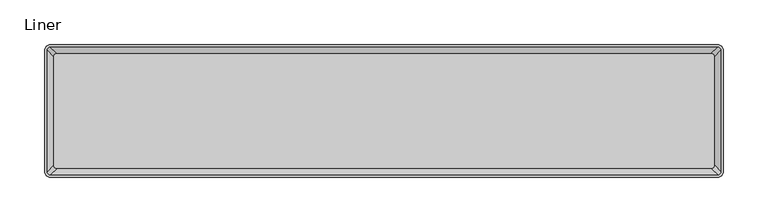
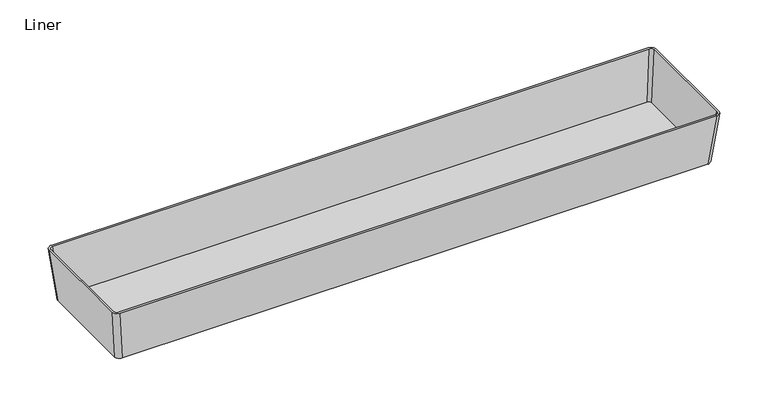
"""IFC4 building model written with IfcOpenShell, lengths in millimetres: furniture geometry, Liner."""

from ifc_helpers import new_model, si_unit, point, frame, origin, place, context, project, spatial, circle_curve, trimmed, source, transform, mapped, element, save
from ifc_brep_helpers import plane_surface, extruded_surface, advanced_brep


def liner_5ce1b42d(model_context):
    return source(origin(), model_context, "Body", "AdvancedBrep", [
        advanced_brep(
        [(-378.713984, 67.5640022, 78.4859978), (-378.713984, -67.5640022, 78.4859978), (-372.363984, -73.9140022, 78.4859978), (372.363984, -73.9140022, 78.4859978), (378.713984, -67.5640022, 78.4859978), (378.713984, 67.5640022, 78.4859978), (372.363984, 73.9140022, 78.4859978), (-372.363984, 73.9140022, 78.4859978), (-376.173984, -67.5640022, 78.4859978), (-376.173984, 67.5640022, 78.4859978), (-372.363984, 71.3740022, 78.4859978), (372.363984, 71.3740022, 78.4859978), (376.173984, 67.5640022, 78.4859978), (376.173984, -67.5640022, 78.4859978), (372.363984, -71.3740022, 78.4859978), (-372.363984, -71.3740022, 78.4859978), (-371.6018455, 60.4518409, 12.7000004), (-365.2518455, 66.8018409, 12.7000004), (365.2518455, 66.8018409, 12.7000004), (371.6018455, 60.4518409, 12.7000004), (371.6018455, -60.4518409, 12.7000004), (365.2518455, -66.8018409, 12.7000004), (-365.2518455, -66.8018409, 12.7000004), (-371.6018455, -60.4518409, 12.7000004), (-369.0618455, 60.4518409, 14.9860005), (-369.0618455, -60.4518409, 14.9860005), (-365.2518455, -64.2618409, 14.9860005), (365.2518455, -64.2618409, 14.9860005), (369.0618455, -60.4518409, 14.9860005), (369.0618455, 60.4518409, 14.9860005), (365.2518455, 64.2618409, 14.9860005), (-365.2518455, 64.2618409, 14.9860005)],
        [
            (0, 1),
            (1, 2, circle_curve(frame((-372.363984, -67.5640022, 78.4859978), z_axis=(0.0, 0.0, 1.0), x_axis=(-1.0, 0.0, 0.0)), 6.35)),
            (2, 3),
            (3, 4, circle_curve(frame((372.363984, -67.5640022, 78.4859978), z_axis=(0.0, 0.0, 1.0), x_axis=(-1.0, 0.0, 0.0)), 6.35)),
            (4, 5),
            (5, 6, circle_curve(frame((372.363984, 67.5640022, 78.4859978), z_axis=(0.0, 0.0, 1.0), x_axis=(-1.0, 0.0, 0.0)), 6.35)),
            (6, 7),
            (7, 0, circle_curve(frame((-372.363984, 67.5640022, 78.4859978), z_axis=(0.0, 0.0, 1.0), x_axis=(-1.0, 0.0, 0.0)), 6.35)),
            (8, 9),
            (9, 10, circle_curve(frame((-372.363984, 67.5640022, 78.4859978), z_axis=(0.0, 0.0, -1.0), x_axis=(-1.0, 0.0, 0.0)), 3.81)),
            (10, 11),
            (11, 12, circle_curve(frame((372.363984, 67.5640022, 78.4859978), z_axis=(0.0, 0.0, -1.0), x_axis=(-1.0, 0.0, 0.0)), 3.81)),
            (12, 13),
            (13, 14, circle_curve(frame((372.363984, -67.5640022, 78.4859978), z_axis=(0.0, 0.0, -1.0), x_axis=(-1.0, 0.0, 0.0)), 3.81)),
            (14, 15),
            (15, 8, circle_curve(frame((-372.363984, -67.5640022, 78.4859978), z_axis=(0.0, 0.0, -1.0), x_axis=(-1.0, 0.0, 0.0)), 3.81)),
            (16, 17, circle_curve(frame((-365.2518455, 60.4518409, 12.7000004), z_axis=(0.0, 0.0, -1.0), x_axis=(-1.0, 0.0, 0.0)), 6.35)),
            (17, 18),
            (18, 19, circle_curve(frame((365.2518455, 60.4518409, 12.7000004), z_axis=(0.0, 0.0, -1.0), x_axis=(-1.0, 0.0, 0.0)), 6.35)),
            (19, 20),
            (20, 21, circle_curve(frame((365.2518455, -60.4518409, 12.7000004), z_axis=(0.0, 0.0, -1.0), x_axis=(-1.0, 0.0, 0.0)), 6.35)),
            (21, 22),
            (22, 23, circle_curve(frame((-365.2518455, -60.4518409, 12.7000004), z_axis=(0.0, 0.0, -1.0), x_axis=(-1.0, 0.0, 0.0)), 6.35)),
            (23, 16),
            (0, 16),
            (23, 1),
            (22, 2),
            (21, 3),
            (20, 4),
            (19, 5),
            (18, 6),
            (17, 7),
            (24, 25),
            (25, 26, circle_curve(frame((-365.2518455, -60.4518409, 14.9860005), z_axis=(0.0, 0.0, 1.0), x_axis=(-1.0, 0.0, 0.0)), 3.81)),
            (26, 27),
            (27, 28, circle_curve(frame((365.2518455, -60.4518409, 14.9860005), z_axis=(0.0, 0.0, 1.0), x_axis=(-1.0, 0.0, 0.0)), 3.81)),
            (28, 29),
            (29, 30, circle_curve(frame((365.2518455, 60.4518409, 14.9860005), z_axis=(0.0, 0.0, 1.0), x_axis=(-1.0, 0.0, 0.0)), 3.81)),
            (30, 31),
            (31, 24, circle_curve(frame((-365.2518455, 60.4518409, 14.9860005), z_axis=(0.0, 0.0, 1.0), x_axis=(-1.0, 0.0, 0.0)), 3.81)),
            (24, 9),
            (8, 25),
            (15, 26),
            (14, 27),
            (13, 28),
            (12, 29),
            (11, 30),
            (10, 31),
        ],
        [
            plane_surface(frame((0.0, 0.0, 78.4859978), z_axis=(0.0, 0.0, 1.0), x_axis=(-1.0, 0.0, 0.0))),
            plane_surface(frame((0.0, 0.0, 12.7000004), z_axis=(0.0, 0.0, -1.0), x_axis=(-1.0, 0.0, 0.0))),
            plane_surface(frame((-371.6018455, 0.0, 12.7000004), z_axis=(-0.994206823355651, 0.0, -0.10748391690418337), x_axis=(0.0, -1.0, 0.0))),
            extruded_surface(trimmed(circle_curve(frame((-365.2518455, -60.4518409, 12.7000004), z_axis=(0.0, 0.0, 1.0), x_axis=(-1.0, 0.0, 0.0)), 6.35), [point((-371.6018455, -60.4518409, 12.7000004))], [point((-365.2518455, -66.8018409, 12.7000004))], True, "CARTESIAN"), (-7.112138500000015, -7.112161300000004, 65.78599740000001), 66.55045308871465),
            plane_surface(frame((0.0, -66.8018409, 12.7000004), z_axis=(0.0, -0.9942067866807243, -0.10748425614009192), x_axis=(1.0, 0.0, 0.0))),
            extruded_surface(trimmed(circle_curve(frame((365.2518455, -60.4518409, 12.7000004), z_axis=(0.0, 0.0, 1.0), x_axis=(-1.0, 0.0, 0.0)), 6.35), [point((365.2518455, -66.8018409, 12.7000004))], [point((371.6018455, -60.4518409, 12.7000004))], True, "CARTESIAN"), (7.112138500000015, -7.112161300000004, 65.78599740000001), 66.55045308871465),
            plane_surface(frame((371.6018455, 0.0, 12.7000004), z_axis=(0.9942068233556497, 0.0, -0.10748391690419548), x_axis=(0.0, 1.0, 0.0))),
            extruded_surface(trimmed(circle_curve(frame((365.2518455, 60.4518409, 12.7000004), z_axis=(0.0, 0.0, 1.0), x_axis=(-1.0, 0.0, 0.0)), 6.35), [point((371.6018455, 60.4518409, 12.7000004))], [point((365.2518455, 66.8018409, 12.7000004))], True, "CARTESIAN"), (7.112138500000015, 7.112161300000004, 65.78599740000001), 66.55045308871465),
            plane_surface(frame((0.0, 66.8018409, 12.7000004), z_axis=(0.0, 0.9942067866807243, -0.10748425614009192), x_axis=(-1.0, 0.0, 0.0))),
            extruded_surface(trimmed(circle_curve(frame((-365.2518455, 60.4518409, 12.7000004), z_axis=(0.0, 0.0, 1.0), x_axis=(-1.0, 0.0, 0.0)), 6.35), [point((-365.2518455, 66.8018409, 12.7000004))], [point((-371.6018455, 60.4518409, 12.7000004))], True, "CARTESIAN"), (-7.112138500000015, 7.112161300000004, 65.78599740000001), 66.55045308871465),
            plane_surface(frame((0.0, 0.0, 14.9860005), z_axis=(0.0, 0.0, 1.0), x_axis=(0.0, -1.0, 0.0))),
            plane_surface(frame((-369.0618455, 0.0, 14.9860005), z_axis=(0.9937861564776257, 0.0, 0.11130622261773208), x_axis=(0.0, -1.0, 0.0))),
            extruded_surface(trimmed(circle_curve(frame((-372.363984, -67.5640022, 78.4859978), z_axis=(0.0, 0.0, 1.0), x_axis=(-1.0, 0.0, 0.0)), 3.81), [point((-376.173984, -67.5640022, 78.4859978))], [point((-372.363984, -71.3740022, 78.4859978))], True, "CARTESIAN"), (7.112138500000015, 7.112161300000004, -63.499997300000004), 64.29164027694742),
            plane_surface(frame((0.0, -64.2618409, 14.9860005), z_axis=(0.0, 0.9937861171645179, 0.11130657362021021), x_axis=(1.0, 0.0, 0.0))),
            extruded_surface(trimmed(circle_curve(frame((372.363984, -67.5640022, 78.4859978), z_axis=(0.0, 0.0, 1.0), x_axis=(-1.0, 0.0, 0.0)), 3.81), [point((372.363984, -71.3740022, 78.4859978))], [point((376.173984, -67.5640022, 78.4859978))], True, "CARTESIAN"), (-7.112138500000015, 7.112161300000004, -63.499997300000004), 64.29164027694742),
            plane_surface(frame((369.0618455, 0.0, 14.9860005), z_axis=(-0.993786156477624, 0.0, 0.11130622261774674), x_axis=(0.0, 1.0, 0.0))),
            extruded_surface(trimmed(circle_curve(frame((372.363984, 67.5640022, 78.4859978), z_axis=(0.0, 0.0, 1.0), x_axis=(-1.0, 0.0, 0.0)), 3.81), [point((376.173984, 67.5640022, 78.4859978))], [point((372.363984, 71.3740022, 78.4859978))], True, "CARTESIAN"), (-7.112138500000015, -7.112161300000004, -63.499997300000004), 64.29164027694742),
            plane_surface(frame((0.0, 64.2618409, 14.9860005), z_axis=(0.0, -0.9937861171645179, 0.11130657362021047), x_axis=(-1.0, 0.0, 0.0))),
            extruded_surface(trimmed(circle_curve(frame((-372.363984, 67.5640022, 78.4859978), z_axis=(0.0, 0.0, 1.0), x_axis=(-1.0, 0.0, 0.0)), 3.81), [point((-372.363984, 71.3740022, 78.4859978))], [point((-376.173984, 67.5640022, 78.4859978))], True, "CARTESIAN"), (7.112138500000015, -7.112161300000004, -63.499997300000004), 64.29164027694742),
        ],
        [
            (0, [[1, 2, 3, 4, 5, 6, 7, 8], [9, 10, 11, 12, 13, 14, 15, 16]]),
            (1, [[17, 18, 19, 20, 21, 22, 23, 24]]),
            (2, [[-1, 25, -24, 26]]),
            (3, [[-2, -26, -23, 27]]),
            (4, [[-3, -27, -22, 28]]),
            (5, [[-4, -28, -21, 29]]),
            (6, [[-5, -29, -20, 30]]),
            (7, [[-6, -30, -19, 31]]),
            (8, [[-7, -31, -18, 32]]),
            (9, [[-8, -32, -17, -25]]),
            (10, [[33, 34, 35, 36, 37, 38, 39, 40]]),
            (11, [[-33, 41, -9, 42]]),
            (12, [[-34, -42, -16, 43]]),
            (13, [[-35, -43, -15, 44]]),
            (14, [[-36, -44, -14, 45]]),
            (15, [[-37, -45, -13, 46]]),
            (16, [[-38, -46, -12, 47]]),
            (17, [[-39, -47, -11, 48]]),
            (18, [[-40, -48, -10, -41]]),
        ],
    ),
    ])


if __name__ == "__main__":
    model = new_model("IFC4")
    model_context = context("Model", 3, world=origin())
    ifc_project = project(units=[si_unit("LENGTHUNIT", "METRE", prefix="MILLI")], contexts=[model_context])
    site = spatial("IfcSite", under=ifc_project)
    building = spatial("IfcBuilding", under=site)
    placement = place(None, origin())
    liner_shape = liner_5ce1b42d(model_context)
    element("IfcFurniture", 1, ObjectType="Liner", at=placement, inside=building, context=model_context, shape_type="MappedRepresentation", body=[
        mapped(liner_shape, transform((0.0, 0.0, 0.0), x_axis=(1.0, 0.0, 0.0), y_axis=(0.0, 1.0, 0.0), z_axis=(0.0, 0.0, 1.0))),
    ])
    save(model, "model.ifc")
